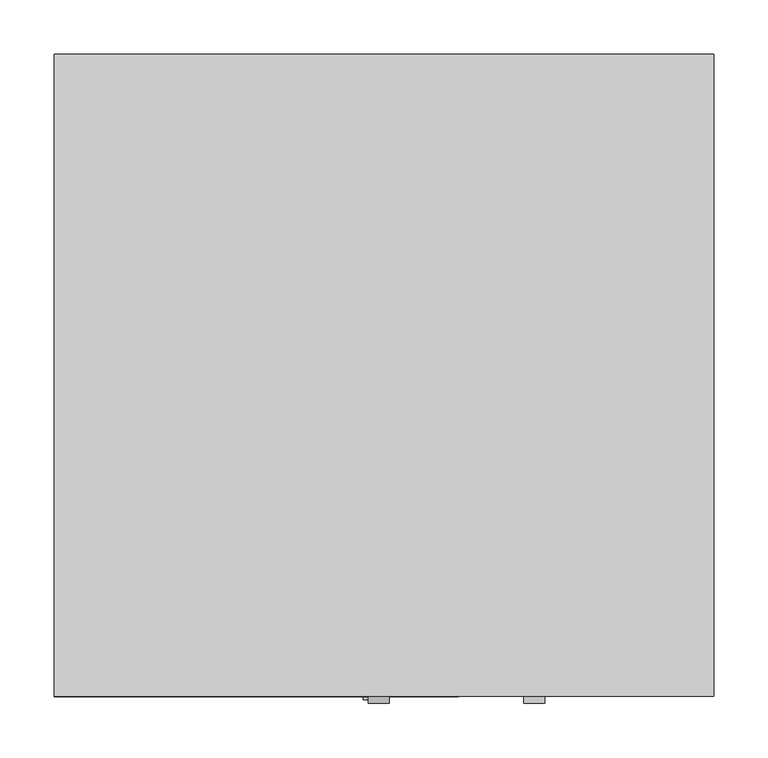
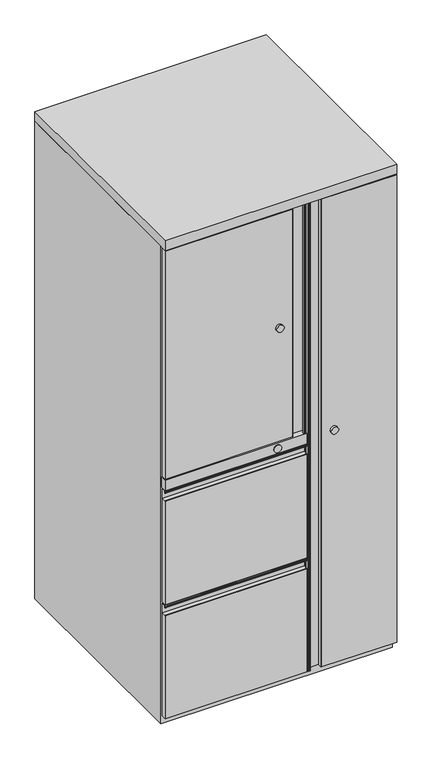
"""IFC4 building model written with IfcOpenShell, lengths in millimetres: furniture geometry."""

from ifc_helpers import new_model, si_unit, point, frame, frame_2d, origin, origin_with_axes, place, context, project, spatial, polyline, circle_curve, trimmed, segment, composite_curve, outline, extrude, source, transform, mapped, element, save
from ifc_brep_helpers import plane_surface, cylinder_surface, advanced_brep


def furniture_f3d1e6ab(model_context):
    return source(origin(), model_context, "Body", "SolidModel", [
        advanced_brep(
        [(-584.2, 12.7, 1330.3242063), (-584.2, 0.0, 1330.3242063), (-250.6621126, 0.0, 1330.3242063), (-249.5351828, 1.1719082, 1330.3242063), (-249.5351828, 11.9379504, 1330.3242063), (-217.4526321, 11.9379504, 1330.3242063), (-216.6624186, 11.1497012, 1330.3242063), (-216.6624186, 1.7644137, 1330.3242063), (-217.4498706, 0.9772377, 1330.3242063), (-221.0131358, 0.9772377, 1330.3242063), (-220.9351165, 2.5954587, 1330.3242063), (-221.0847852, 0.215639, 1330.3242063), (-217.4508972, 0.215639, 1330.3242063), (-215.9, 1.7665362, 1330.3242063), (-215.9, 11.1475226, 1330.3242063), (-217.4515764, 12.699099, 1330.3242063), (-584.2, 12.7, 699.5914063), (-217.4515764, 12.7, 699.5914063), (-215.9, 11.1475226, 699.5914063), (-215.9, 1.7665362, 699.5914063), (-217.4508972, 0.215639, 699.5914063), (-221.0847852, 0.215639, 699.5914063), (-220.9351165, 2.5954587, 699.5914063), (-221.0131358, 0.9772377, 699.5914063), (-217.4498706, 0.9772377, 699.5914063), (-216.6624186, 1.7644137, 699.5914063), (-216.6624186, 11.1497012, 699.5914063), (-217.4526321, 11.9379504, 699.5914063), (-249.5351828, 11.9379504, 699.5914063), (-249.5351828, 1.1719082, 699.5914063), (-250.6621126, 0.0, 699.5914063), (-584.2, 0.0, 699.5914063)],
        [
            (0, 1),
            (1, 2),
            (2, 3, circle_curve(frame((-250.7079887, 1.1719082, 1330.3242063), z_axis=(0.0, 0.0, 1.0), x_axis=(1.0, 0.0, 0.0)), 1.1728058)),
            (3, 4),
            (4, 5),
            (5, 6),
            (6, 7),
            (7, 8),
            (8, 9),
            (9, 10),
            (10, 11, circle_curve(frame((-221.0847852, 1.4102552, 1330.3242063), z_axis=(0.0, 0.0, 1.0), x_axis=(1.0, 0.0, 0.0)), 1.1946163)),
            (11, 12),
            (12, 13, circle_curve(frame((-217.4508972, 1.7665362, 1330.3242063), z_axis=(0.0, 0.0, 1.0), x_axis=(1.0, 0.0, 0.0)), 1.5508972)),
            (13, 14),
            (14, 15, circle_curve(frame((-217.4515764, 11.1475226, 1330.3242063), z_axis=(0.0, 0.0, 1.0), x_axis=(1.0, 0.0, 0.0)), 1.5515764)),
            (15, 0),
            (16, 17),
            (17, 18, circle_curve(frame((-217.4515764, 11.1475226, 699.5914063), z_axis=(0.0, 0.0, -1.0), x_axis=(1.0, 0.0, 0.0)), 1.5515764)),
            (18, 19),
            (19, 20, circle_curve(frame((-217.4508972, 1.7665362, 699.5914063), z_axis=(0.0, 0.0, -1.0), x_axis=(1.0, 0.0, 0.0)), 1.5508972)),
            (20, 21),
            (21, 22, circle_curve(frame((-221.0847852, 1.4102552, 699.5914063), z_axis=(0.0, 0.0, -1.0), x_axis=(1.0, 0.0, 0.0)), 1.1946163)),
            (22, 23),
            (23, 24),
            (24, 25),
            (25, 26),
            (26, 27),
            (27, 28),
            (28, 29),
            (29, 30, circle_curve(frame((-250.7079887, 1.1719082, 699.5914063), z_axis=(0.0, 0.0, -1.0), x_axis=(1.0, 0.0, 0.0)), 1.1728058)),
            (30, 31),
            (31, 16),
            (0, 16),
            (31, 1),
            (30, 2),
            (29, 3),
            (28, 4),
            (27, 5),
            (26, 6),
            (25, 7),
            (24, 8),
            (23, 9),
            (22, 10),
            (21, 11),
            (20, 12),
            (19, 13),
            (18, 14),
            (17, 15),
        ],
        [
            plane_surface(frame((-584.2, 960.2460168, 1330.3242063), z_axis=(0.0, 0.0, 1.0), x_axis=(0.0, -1.0, 0.0))),
            plane_surface(frame((-584.2, 960.2460168, 699.5914063), z_axis=(0.0, 0.0, -1.0), x_axis=(0.0, 1.0, 0.0))),
            plane_surface(frame((-584.2, 12.7, 1330.3242063), z_axis=(-1.0, 0.0, 0.0), x_axis=(0.0, 0.0, -1.0))),
            plane_surface(frame((-584.2, 0.0, 1330.3242063), z_axis=(0.0, -1.0, 0.0), x_axis=(0.0, 0.0, -1.0))),
            cylinder_surface(frame((-250.7079887, 1.1719082, 699.5914063), z_axis=(0.0, 0.0, 1.0), x_axis=(1.0, 0.0, 0.0)), 1.1728058),
            plane_surface(frame((-249.5351828, 1.1719082, 1330.3242063), z_axis=(1.0, 0.0, 0.0), x_axis=(0.0, 0.0, -1.0))),
            plane_surface(frame((-249.5351828, 11.9379504, 1330.3242063), z_axis=(0.0, -1.0, 0.0), x_axis=(0.0, 0.0, -1.0))),
            plane_surface(frame((-217.4526321, 11.9379504, 1330.3242063), z_axis=(-0.7062263024300954, -0.7079861649466855, 0.0), x_axis=(0.0, 0.0, -1.0))),
            plane_surface(frame((-216.6624186, 11.1497012, 1330.3242063), z_axis=(-1.0, 0.0, 0.0), x_axis=(0.0, 0.0, -1.0))),
            plane_surface(frame((-216.6624186, 1.7644137, 1330.3242063), z_axis=(-0.7069828591192541, 0.7072306815400228, 0.0), x_axis=(0.0, 0.0, -1.0))),
            plane_surface(frame((-217.4498706, 0.9772377, 1330.3242063), z_axis=(0.0, 1.0, 0.0), x_axis=(0.0, 0.0, -1.0))),
            plane_surface(frame((-221.0131358, 0.9772377, 1330.3242063), z_axis=(0.9988397743850603, -0.04815708781064106, 0.0), x_axis=(0.0, 0.0, -1.0))),
            cylinder_surface(frame((-221.0847852, 1.4102552, 699.5914063), z_axis=(0.0, 0.0, 1.0), x_axis=(1.0, 0.0, 0.0)), 1.1946163),
            plane_surface(frame((-221.0847852, 0.215639, 1330.3242063), z_axis=(0.0, -1.0, 0.0), x_axis=(0.0, 0.0, -1.0))),
            cylinder_surface(frame((-217.4508972, 1.7665362, 699.5914063), z_axis=(0.0, 0.0, 1.0), x_axis=(1.0, 0.0, 0.0)), 1.5508972),
            plane_surface(frame((-215.9, 1.7665362, 1330.3242063), z_axis=(1.0, 0.0, 0.0), x_axis=(0.0, 0.0, -1.0))),
            cylinder_surface(frame((-217.4515764, 11.1475226, 699.5914063), z_axis=(0.0, 0.0, 1.0), x_axis=(1.0, 0.0, 0.0)), 1.5515764),
            plane_surface(frame((-217.4515764, 12.7, 1330.3242063), z_axis=(0.0, 1.0, 0.0), x_axis=(0.0, 0.0, -1.0))),
        ],
        [
            (0, [[1, 2, 3, 4, 5, 6, 7, 8, 9, 10, 11, 12, 13, 14, 15, 16]]),
            (1, [[17, 18, 19, 20, 21, 22, 23, 24, 25, 26, 27, 28, 29, 30, 31, 32]]),
            (2, [[-1, 33, -32, 34]]),
            (3, [[-2, -34, -31, 35]]),
            (4, [[-3, -35, -30, 36]]),
            (5, [[-4, -36, -29, 37]]),
            (6, [[-5, -37, -28, 38]]),
            (7, [[-6, -38, -27, 39]]),
            (8, [[-7, -39, -26, 40]]),
            (9, [[-8, -40, -25, 41]]),
            (10, [[-9, -41, -24, 42]]),
            (11, [[-10, -42, -23, 43]]),
            (12, [[-11, -43, -22, 44]]),
            (13, [[-12, -44, -21, 45]]),
            (14, [[-13, -45, -20, 46]]),
            (15, [[-14, -46, -19, 47]]),
            (16, [[-15, -47, -18, 48]]),
            (17, [[-16, -48, -17, -33]]),
        ],
    ),
        extrude(outline(composite_curve([segment(trimmed(circle_curve(frame_2d((1014.9578063, -285.75)), 9.525), [point((1014.9578063, -276.225))], [point((1014.9578063, -295.275))], False, "CARTESIAN"), True, "CONTINUOUS"), segment(trimmed(circle_curve(frame_2d((1014.9578063, -285.75)), 9.525), [point((1014.9578063, -295.275))], [point((1014.9578063, -276.225))], False, "CARTESIAN"), True, "CONTINUOUS")], self_intersect=False)), frame((0.0, -6.35, 0.0), z_axis=(0.0, 1.0, 0.0), x_axis=(0.0, 0.0, 1.0)), (0.0, 0.0, 1.0), 6.35),
        advanced_brep(
        [(-212.725, 12.6990857, 664.7023431), (-212.725, 11.1475226, 666.2539062), (-212.725, 1.7665794, 666.2539062), (-212.725, 0.2157287, 664.7030555), (-212.725, 0.2157287, 661.0973138), (-212.725, 2.5948871, 661.2328917), (-212.725, 0.9772377, 661.140797), (-212.725, 0.9770345, 664.7040623), (-212.725, 1.7644137, 665.4915142), (-212.725, 11.1497012, 665.4915142), (-212.725, 11.9379504, 664.7013007), (-212.725, 11.9379504, 639.3735723), (-212.725, 1.1719082, 639.3735723), (-212.725, 0.0, 638.2466425), (-212.725, 0.0, 351.9289062), (-212.725, 12.6999833, 351.9289062), (-584.2, 12.6999833, 664.7025491), (-584.2, 12.6999833, 351.9289062), (-584.2, 0.0, 351.9289062), (-584.2, 0.0, 638.2466425), (-584.2, 1.1719082, 639.3735723), (-584.2, 11.9379504, 639.3735723), (-584.2, 11.9379504, 664.7013007), (-584.2, 11.1497012, 665.4915142), (-584.2, 1.7644137, 665.4915142), (-584.2, 0.9770345, 664.7040623), (-584.2, 0.9772377, 661.140797), (-584.2, 2.5948871, 661.2328917), (-584.2, 0.2157287, 661.0973138), (-584.2, 0.2157287, 664.7030555), (-584.2, 1.7665794, 666.2539062), (-584.2, 11.1475226, 666.2539062)],
        [
            (0, 1, circle_curve(frame((-212.725, 11.1475226, 664.7023431), z_axis=(1.0, 0.0, 0.0), x_axis=(0.0, 1.0, 0.0)), 1.5515631)),
            (1, 2),
            (2, 3, circle_curve(frame((-212.725, 1.7665794, 664.7030555), z_axis=(1.0, 0.0, 0.0), x_axis=(0.0, 1.0, 0.0)), 1.5508507)),
            (3, 4),
            (4, 5, circle_curve(frame((-212.725, 1.4091709, 661.0973138), z_axis=(1.0, 0.0, 0.0), x_axis=(0.0, 1.0, 0.0)), 1.1934422)),
            (5, 6),
            (6, 7),
            (7, 8),
            (8, 9),
            (9, 10),
            (10, 11),
            (11, 12),
            (12, 13, circle_curve(frame((-212.725, 1.1719082, 638.2007664), z_axis=(1.0, 0.0, 0.0), x_axis=(0.0, 1.0, 0.0)), 1.1728058)),
            (13, 14),
            (14, 15),
            (15, 0),
            (16, 17),
            (17, 18),
            (18, 19),
            (19, 20, circle_curve(frame((-584.2, 1.1719082, 638.2007664), z_axis=(-1.0, 0.0, 0.0), x_axis=(0.0, 1.0, 0.0)), 1.1728058)),
            (20, 21),
            (21, 22),
            (22, 23),
            (23, 24),
            (24, 25),
            (25, 26),
            (26, 27),
            (27, 28, circle_curve(frame((-584.2, 1.4091709, 661.0973138), z_axis=(-1.0, 0.0, 0.0), x_axis=(0.0, 1.0, 0.0)), 1.1934422)),
            (28, 29),
            (29, 30, circle_curve(frame((-584.2, 1.7665794, 664.7030555), z_axis=(-1.0, 0.0, 0.0), x_axis=(0.0, 1.0, 0.0)), 1.5508507)),
            (30, 31),
            (31, 16, circle_curve(frame((-584.2, 11.1475226, 664.7023431), z_axis=(-1.0, 0.0, 0.0), x_axis=(0.0, 1.0, 0.0)), 1.5515631)),
            (0, 16),
            (31, 1),
            (30, 2),
            (29, 3),
            (28, 4),
            (27, 5),
            (26, 6),
            (25, 7),
            (24, 8),
            (23, 9),
            (22, 10),
            (21, 11),
            (20, 12),
            (19, 13),
            (18, 14),
            (17, 15),
        ],
        [
            plane_surface(frame((-212.725, 12.6990857, 664.7023431), z_axis=(1.0, 0.0, 0.0), x_axis=(0.0, 0.0, 1.0))),
            plane_surface(frame((-584.2, 12.6990857, 664.7023431), z_axis=(-1.0, 0.0, 0.0), x_axis=(0.0, 0.0, -1.0))),
            cylinder_surface(frame((-584.2, 11.1475226, 664.7023431), z_axis=(1.0, 0.0, 0.0), x_axis=(0.0, 1.0, 0.0)), 1.5515631),
            plane_surface(frame((-212.725, 11.1475226, 666.2539062), z_axis=(0.0, 0.0, 1.0), x_axis=(-1.0, 0.0, 0.0))),
            cylinder_surface(frame((-584.2, 1.7665794, 664.7030555), z_axis=(1.0, 0.0, 0.0), x_axis=(0.0, 1.0, 0.0)), 1.5508507),
            plane_surface(frame((-212.725, 0.2157287, 664.7030555), z_axis=(0.0, -1.0, 0.0), x_axis=(-1.0, 0.0, 0.0))),
            cylinder_surface(frame((-584.2, 1.4091709, 661.0973138), z_axis=(1.0, 0.0, 0.0), x_axis=(0.0, 1.0, 0.0)), 1.1934422),
            plane_surface(frame((-212.725, 2.5948871, 661.2328917), z_axis=(0.0, -0.056839118404105105, 0.9983833505317705), x_axis=(-1.0, 0.0, 0.0))),
            plane_surface(frame((-212.725, 0.9772377, 661.140797), z_axis=(0.0, 0.99999999837299, 5.704401746981278e-05), x_axis=(-1.0, 0.0, 0.0))),
            plane_surface(frame((-212.725, 0.9770345, 664.7040623), z_axis=(0.0, 0.7071394096157116, -0.7070741512517218), x_axis=(-1.0, 0.0, 0.0))),
            plane_surface(frame((-212.725, 1.7644137, 665.4915142), z_axis=(0.0, 0.0, -1.0), x_axis=(-1.0, 0.0, 0.0))),
            plane_surface(frame((-212.725, 11.1497012, 665.4915142), z_axis=(0.0, -0.707986164947673, -0.7062263024291056), x_axis=(-1.0, 0.0, 0.0))),
            plane_surface(frame((-212.725, 11.9379504, 664.7013007), z_axis=(0.0, -1.0, 0.0), x_axis=(-1.0, 0.0, 0.0))),
            plane_surface(frame((-212.725, 11.9379504, 639.3735723), z_axis=(0.0, 0.0, 1.0), x_axis=(-1.0, 0.0, 0.0))),
            cylinder_surface(frame((-584.2, 1.1719082, 638.2007664), z_axis=(1.0, 0.0, 0.0), x_axis=(0.0, 1.0, 0.0)), 1.1728058),
            plane_surface(frame((-212.725, 0.0, 638.2466425), z_axis=(0.0, -1.0, 0.0), x_axis=(-1.0, 0.0, 0.0))),
            plane_surface(frame((-212.725, 0.0, 351.9289062), z_axis=(0.0, 0.0, -1.0), x_axis=(-1.0, 0.0, 0.0))),
            plane_surface(frame((-212.725, 12.6999833, 351.9289062), z_axis=(0.0, 1.0, 0.0), x_axis=(-1.0, 0.0, 0.0))),
        ],
        [
            (0, [[1, 2, 3, 4, 5, 6, 7, 8, 9, 10, 11, 12, 13, 14, 15, 16]]),
            (1, [[17, 18, 19, 20, 21, 22, 23, 24, 25, 26, 27, 28, 29, 30, 31, 32]]),
            (2, [[-1, 33, -32, 34]]),
            (3, [[-2, -34, -31, 35]]),
            (4, [[-3, -35, -30, 36]]),
            (5, [[-4, -36, -29, 37]]),
            (6, [[-5, -37, -28, 38]]),
            (7, [[-6, -38, -27, 39]]),
            (8, [[-7, -39, -26, 40]]),
            (9, [[-8, -40, -25, 41]]),
            (10, [[-9, -41, -24, 42]]),
            (11, [[-10, -42, -23, 43]]),
            (12, [[-11, -43, -22, 44]]),
            (13, [[-12, -44, -21, 45]]),
            (14, [[-13, -45, -20, 46]]),
            (15, [[-14, -46, -19, 47]]),
            (16, [[-15, -47, -18, 48]]),
            (17, [[-16, -48, -17, -33]]),
        ],
    ),
        advanced_brep(
        [(-212.725, 12.6990857, 347.2023431), (-212.725, 11.1475226, 348.7539062), (-212.725, 1.7563342, 348.7539062), (-212.725, 0.1986534, 347.1962254), (-212.725, 0.1986534, 343.8886037), (-212.725, 2.1992497, 344.4917855), (-212.725, 0.9771932, 344.4222124), (-212.725, 0.9770345, 347.2040623), (-212.725, 1.7644137, 347.9915142), (-212.725, 11.1497012, 347.9915142), (-212.725, 11.9379504, 347.2013007), (-212.725, 11.9379504, 321.8735723), (-212.725, 1.1719082, 321.8735723), (-212.725, 0.0, 320.7466425), (-212.725, 0.0, 36.0164062), (-212.725, 12.6999833, 36.0164062), (-584.2, 12.6999833, 347.2025491), (-584.2, 12.6999833, 36.0164063), (-584.2, 0.0, 36.0164063), (-584.2, 0.0, 320.7466425), (-584.2, 1.1719082, 321.8735723), (-584.2, 11.9379504, 321.8735723), (-584.2, 11.9379504, 347.2013007), (-584.2, 11.1497012, 347.9915142), (-584.2, 1.7644137, 347.9915142), (-584.2, 0.9770345, 347.2040623), (-584.2, 0.9771932, 344.4222124), (-584.2, 2.1992497, 344.4917855), (-584.2, 0.1986534, 343.8886037), (-584.2, 0.1986534, 347.1962254), (-584.2, 1.7563342, 348.7539063), (-584.2, 11.1475226, 348.7539063)],
        [
            (0, 1, circle_curve(frame((-212.725, 11.1475226, 347.2023431), z_axis=(1.0, 0.0, 0.0), x_axis=(0.0, 1.0, 0.0)), 1.5515631)),
            (1, 2),
            (2, 3, circle_curve(frame((-212.725, 1.7563342, 347.1962254), z_axis=(1.0, 0.0, 0.0), x_axis=(0.0, 1.0, 0.0)), 1.5576808)),
            (3, 4),
            (4, 5, circle_curve(frame((-212.725, 1.2898815, 343.8886037), z_axis=(1.0, 0.0, 0.0), x_axis=(0.0, 1.0, 0.0)), 1.0912281)),
            (5, 6),
            (6, 7),
            (7, 8),
            (8, 9),
            (9, 10),
            (10, 11),
            (11, 12),
            (12, 13, circle_curve(frame((-212.725, 1.1719082, 320.7007664), z_axis=(1.0, 0.0, 0.0), x_axis=(0.0, 1.0, 0.0)), 1.1728058)),
            (13, 14),
            (14, 15),
            (15, 0),
            (16, 17),
            (17, 18),
            (18, 19),
            (19, 20, circle_curve(frame((-584.2, 1.1719082, 320.7007664), z_axis=(-1.0, 0.0, 0.0), x_axis=(0.0, 1.0, 0.0)), 1.1728058)),
            (20, 21),
            (21, 22),
            (22, 23),
            (23, 24),
            (24, 25),
            (25, 26),
            (26, 27),
            (27, 28, circle_curve(frame((-584.2, 1.2898815, 343.8886037), z_axis=(-1.0, 0.0, 0.0), x_axis=(0.0, 1.0, 0.0)), 1.0912281)),
            (28, 29),
            (29, 30, circle_curve(frame((-584.2, 1.7563342, 347.1962254), z_axis=(-1.0, 0.0, 0.0), x_axis=(0.0, 1.0, 0.0)), 1.5576808)),
            (30, 31),
            (31, 16, circle_curve(frame((-584.2, 11.1475226, 347.2023431), z_axis=(-1.0, 0.0, 0.0), x_axis=(0.0, 1.0, 0.0)), 1.5515631)),
            (0, 16),
            (31, 1),
            (30, 2),
            (29, 3),
            (28, 4),
            (27, 5),
            (26, 6),
            (25, 7),
            (24, 8),
            (23, 9),
            (22, 10),
            (21, 11),
            (20, 12),
            (19, 13),
            (18, 14),
            (17, 15),
        ],
        [
            plane_surface(frame((-212.725, 12.6990857, 347.2023431), z_axis=(1.0, 0.0, 0.0), x_axis=(0.0, 0.0, 1.0))),
            plane_surface(frame((-584.2, 12.6990857, 347.2023431), z_axis=(-1.0, 0.0, 0.0), x_axis=(0.0, 0.0, -1.0))),
            cylinder_surface(frame((-584.2, 11.1475226, 347.2023431), z_axis=(1.0, 0.0, 0.0), x_axis=(0.0, 1.0, 0.0)), 1.5515631),
            plane_surface(frame((-212.725, 11.1475226, 348.7539062), z_axis=(0.0, 0.0, 1.0), x_axis=(-1.0, 0.0, 0.0))),
            cylinder_surface(frame((-584.2, 1.7563342, 347.1962254), z_axis=(1.0, 0.0, 0.0), x_axis=(0.0, 1.0, 0.0)), 1.5576808),
            plane_surface(frame((-212.725, 0.1986534, 347.1962254), z_axis=(0.0, -1.0, 0.0), x_axis=(-1.0, 0.0, 0.0))),
            cylinder_surface(frame((-584.2, 1.2898815, 343.8886037), z_axis=(1.0, 0.0, 0.0), x_axis=(0.0, 1.0, 0.0)), 1.0912281),
            plane_surface(frame((-212.725, 2.1992497, 344.4917855), z_axis=(0.0, -0.05683911841492139, 0.9983833505311548), x_axis=(-1.0, 0.0, 0.0))),
            plane_surface(frame((-212.725, 0.9771932, 344.4222124), z_axis=(0.0, 0.99999999837299, 5.704401743004593e-05), x_axis=(-1.0, 0.0, 0.0))),
            plane_surface(frame((-212.725, 0.9770345, 347.2040623), z_axis=(0.0, 0.7071394095992428, -0.7070741512681923), x_axis=(-1.0, 0.0, 0.0))),
            plane_surface(frame((-212.725, 1.7644137, 347.9915142), z_axis=(0.0, 0.0, -1.0), x_axis=(-1.0, 0.0, 0.0))),
            plane_surface(frame((-212.725, 11.1497012, 347.9915142), z_axis=(0.0, -0.7079861649312232, -0.7062263024455964), x_axis=(-1.0, 0.0, 0.0))),
            plane_surface(frame((-212.725, 11.9379504, 347.2013007), z_axis=(0.0, -1.0, 0.0), x_axis=(-1.0, 0.0, 0.0))),
            plane_surface(frame((-212.725, 11.9379504, 321.8735723), z_axis=(0.0, 0.0, 1.0), x_axis=(-1.0, 0.0, 0.0))),
            cylinder_surface(frame((-584.2, 1.1719082, 320.7007664), z_axis=(1.0, 0.0, 0.0), x_axis=(0.0, 1.0, 0.0)), 1.1728058),
            plane_surface(frame((-212.725, 0.0, 320.7466425), z_axis=(0.0, -1.0, 0.0), x_axis=(-1.0, 0.0, 0.0))),
            plane_surface(frame((-212.725, 0.0, 36.0164062), z_axis=(0.0, 0.0, -1.0), x_axis=(-1.0, 0.0, 0.0))),
            plane_surface(frame((-212.725, 12.6999833, 36.0164062), z_axis=(0.0, 1.0, 0.0), x_axis=(-1.0, 0.0, 0.0))),
        ],
        [
            (0, [[1, 2, 3, 4, 5, 6, 7, 8, 9, 10, 11, 12, 13, 14, 15, 16]]),
            (1, [[17, 18, 19, 20, 21, 22, 23, 24, 25, 26, 27, 28, 29, 30, 31, 32]]),
            (2, [[-1, 33, -32, 34]]),
            (3, [[-2, -34, -31, 35]]),
            (4, [[-3, -35, -30, 36]]),
            (5, [[-4, -36, -29, 37]]),
            (6, [[-5, -37, -28, 38]]),
            (7, [[-6, -38, -27, 39]]),
            (8, [[-7, -39, -26, 40]]),
            (9, [[-8, -40, -25, 41]]),
            (10, [[-9, -41, -24, 42]]),
            (11, [[-10, -42, -23, 43]]),
            (12, [[-11, -43, -22, 44]]),
            (13, [[-12, -44, -21, 45]]),
            (14, [[-13, -45, -20, 46]]),
            (15, [[-14, -46, -19, 47]]),
            (16, [[-15, -47, -18, 48]]),
            (17, [[-16, -48, -17, -33]]),
        ],
    ),
        extrude(outline(polyline([(-212.725, 15.875), (-212.725, 0.0), (-584.2, 0.0), (-584.2, 15.875), (-212.725, 15.875)])), frame((0.0, 0.0, 667.8414063), z_axis=(0.0, 0.0, 1.0), x_axis=(1.0, 0.0, 0.0)), (0.0, 0.0, 1.0), 28.575),
        extrude(outline(composite_curve([segment(trimmed(circle_curve(frame_2d((682.1289063, -290.5125)), 9.525), [point((672.6039063, -290.5125))], [point((691.6539063, -290.5125))], False, "CARTESIAN"), True, "CONTINUOUS"), segment(trimmed(circle_curve(frame_2d((682.1289063, -290.5125)), 9.525), [point((691.6539063, -290.5125))], [point((672.6039063, -290.5125))], False, "CARTESIAN"), True, "CONTINUOUS")], self_intersect=False)), frame((0.0, -3.1749879, 0.0), z_axis=(0.0, 1.0, 0.0), x_axis=(0.0, 0.0, 1.0)), (0.0, 0.0, 1.0), 3.1749879),
        advanced_brep(
        [(22.225, 12.7, 1330.3242063), (-207.9986429, 12.7, 1330.3242063), (-209.5500266, 11.1475226, 1330.3242063), (-209.5500266, 1.7665362, 1330.3242063), (-207.9991294, 0.215639, 1330.3242063), (-204.3652414, 0.215639, 1330.3242063), (-204.5149101, 2.5954587, 1330.3242063), (-204.4368908, 0.9772377, 1330.3242063), (-208.000156, 0.9770345, 1330.3242063), (-208.787608, 1.7644137, 1330.3242063), (-208.787608, 11.1497012, 1330.3242063), (-207.9973945, 11.9379504, 1330.3242063), (-175.9148437, 11.9379504, 1330.3242063), (-175.9148437, 1.1719082, 1330.3242063), (-174.787914, 0.0, 1330.3242063), (22.225, 0.0, 1330.3242063), (22.225, 12.7, 36.0164062), (22.225, 0.0, 36.0164062), (-174.787914, 0.0, 36.0164062), (-175.9148437, 1.1719082, 36.0164062), (-175.9148437, 11.9379504, 36.0164062), (-207.9973945, 11.9379504, 36.0164062), (-208.787608, 11.1497012, 36.0164062), (-208.787608, 1.7644137, 36.0164062), (-208.000156, 0.9770345, 36.0164062), (-204.4368908, 0.9772377, 36.0164062), (-204.5149101, 2.5954587, 36.0164062), (-204.3652414, 0.215639, 36.0164062), (-207.9991294, 0.215639, 36.0164062), (-209.5500266, 1.7665362, 36.0164062), (-209.5500266, 11.1475226, 36.0164062), (-207.9984502, 12.699099, 36.0164062)],
        [
            (0, 1),
            (1, 2, circle_curve(frame((-207.9984502, 11.1475226, 1330.3242063), z_axis=(0.0, 0.0, 1.0), x_axis=(1.0, 0.0, 0.0)), 1.5515764)),
            (2, 3),
            (3, 4, circle_curve(frame((-207.9991294, 1.7665362, 1330.3242063), z_axis=(0.0, 0.0, 1.0), x_axis=(1.0, 0.0, 0.0)), 1.5508972)),
            (4, 5),
            (5, 6, circle_curve(frame((-204.3652414, 1.4102552, 1330.3242063), z_axis=(0.0, 0.0, 1.0), x_axis=(1.0, 0.0, 0.0)), 1.1946163)),
            (6, 7),
            (7, 8),
            (8, 9),
            (9, 10),
            (10, 11),
            (11, 12),
            (12, 13),
            (13, 14, circle_curve(frame((-174.7420379, 1.1719082, 1330.3242063), z_axis=(0.0, 0.0, 1.0), x_axis=(1.0, 0.0, 0.0)), 1.1728058)),
            (14, 15),
            (15, 0),
            (16, 17),
            (17, 18),
            (18, 19, circle_curve(frame((-174.7420379, 1.1719082, 36.0164062), z_axis=(0.0, 0.0, -1.0), x_axis=(1.0, 0.0, 0.0)), 1.1728058)),
            (19, 20),
            (20, 21),
            (21, 22),
            (22, 23),
            (23, 24),
            (24, 25),
            (25, 26),
            (26, 27, circle_curve(frame((-204.3652414, 1.4102552, 36.0164062), z_axis=(0.0, 0.0, -1.0), x_axis=(1.0, 0.0, 0.0)), 1.1946163)),
            (27, 28),
            (28, 29, circle_curve(frame((-207.9991294, 1.7665362, 36.0164062), z_axis=(0.0, 0.0, -1.0), x_axis=(1.0, 0.0, 0.0)), 1.5508972)),
            (29, 30),
            (30, 31, circle_curve(frame((-207.9984502, 11.1475226, 36.0164062), z_axis=(0.0, 0.0, -1.0), x_axis=(1.0, 0.0, 0.0)), 1.5515764)),
            (31, 16),
            (0, 16),
            (31, 1),
            (30, 2),
            (29, 3),
            (28, 4),
            (27, 5),
            (26, 6),
            (25, 7),
            (24, 8),
            (23, 9),
            (22, 10),
            (21, 11),
            (20, 12),
            (19, 13),
            (18, 14),
            (17, 15),
        ],
        [
            plane_surface(frame((-207.9986429, 12.7, 1330.3242063), z_axis=(0.0, 0.0, 1.0), x_axis=(-1.0, 0.0, 0.0))),
            plane_surface(frame((-207.9986429, 12.7, 36.0164062), z_axis=(0.0, 0.0, -1.0), x_axis=(1.0, 0.0, 0.0))),
            plane_surface(frame((22.225, 12.7, 1330.3242063), z_axis=(0.0, 1.0, 0.0), x_axis=(0.0, 0.0, -1.0))),
            cylinder_surface(frame((-207.9984502, 11.1475226, 36.0164062), z_axis=(0.0, 0.0, 1.0), x_axis=(1.0, 0.0, 0.0)), 1.5515764),
            plane_surface(frame((-209.5500266, 11.1475226, 1330.3242063), z_axis=(-1.0, 0.0, 0.0), x_axis=(0.0, 0.0, -1.0))),
            cylinder_surface(frame((-207.9991294, 1.7665362, 36.0164062), z_axis=(0.0, 0.0, 1.0), x_axis=(1.0, 0.0, 0.0)), 1.5508972),
            plane_surface(frame((-207.9991294, 0.215639, 1330.3242063), z_axis=(0.0, -1.0, 0.0), x_axis=(0.0, 0.0, -1.0))),
            cylinder_surface(frame((-204.3652414, 1.4102552, 36.0164062), z_axis=(0.0, 0.0, 1.0), x_axis=(1.0, 0.0, 0.0)), 1.1946163),
            plane_surface(frame((-204.5149101, 2.5954587, 1330.3242063), z_axis=(-0.9988397743850594, -0.04815708781066012, 0.0), x_axis=(0.0, 0.0, -1.0))),
            plane_surface(frame((-204.4368908, 0.9772377, 1330.3242063), z_axis=(-5.704401746862134e-05, 0.99999999837299, 0.0), x_axis=(0.0, 0.0, -1.0))),
            plane_surface(frame((-208.000156, 0.9770345, 1330.3242063), z_axis=(0.7070741512595925, 0.7071394096078417, 0.0), x_axis=(0.0, 0.0, -1.0))),
            plane_surface(frame((-208.787608, 1.7644137, 1330.3242063), z_axis=(1.0, 0.0, 0.0), x_axis=(0.0, 0.0, -1.0))),
            plane_surface(frame((-208.787608, 11.1497012, 1330.3242063), z_axis=(0.7062263024369049, -0.707986164939893, 0.0), x_axis=(0.0, 0.0, -1.0))),
            plane_surface(frame((-207.9973945, 11.9379504, 1330.3242063), z_axis=(0.0, -1.0, 0.0), x_axis=(0.0, 0.0, -1.0))),
            plane_surface(frame((-175.9148437, 11.9379504, 1330.3242063), z_axis=(-1.0, 0.0, 0.0), x_axis=(0.0, 0.0, -1.0))),
            cylinder_surface(frame((-174.7420379, 1.1719082, 36.0164062), z_axis=(0.0, 0.0, 1.0), x_axis=(1.0, 0.0, 0.0)), 1.1728058),
            plane_surface(frame((-174.787914, 0.0, 1330.3242063), z_axis=(0.0, -1.0, 0.0), x_axis=(0.0, 0.0, -1.0))),
            plane_surface(frame((22.225, 0.0, 1330.3242063), z_axis=(1.0, 0.0, 0.0), x_axis=(0.0, 0.0, -1.0))),
        ],
        [
            (0, [[1, 2, 3, 4, 5, 6, 7, 8, 9, 10, 11, 12, 13, 14, 15, 16]]),
            (1, [[17, 18, 19, 20, 21, 22, 23, 24, 25, 26, 27, 28, 29, 30, 31, 32]]),
            (2, [[-1, 33, -32, 34]]),
            (3, [[-2, -34, -31, 35]]),
            (4, [[-3, -35, -30, 36]]),
            (5, [[-4, -36, -29, 37]]),
            (6, [[-5, -37, -28, 38]]),
            (7, [[-6, -38, -27, 39]]),
            (8, [[-7, -39, -26, 40]]),
            (9, [[-8, -40, -25, 41]]),
            (10, [[-9, -41, -24, 42]]),
            (11, [[-10, -42, -23, 43]]),
            (12, [[-11, -43, -22, 44]]),
            (13, [[-12, -44, -21, 45]]),
            (14, [[-13, -45, -20, 46]]),
            (15, [[-14, -46, -19, 47]]),
            (16, [[-15, -47, -18, 48]]),
            (17, [[-16, -48, -17, -33]]),
        ],
    ),
        extrude(outline(composite_curve([segment(trimmed(circle_curve(frame_2d((683.1703063, -142.875)), 9.525), [point((683.1703063, -152.4))], [point((683.1703063, -133.35))], False, "CARTESIAN"), True, "CONTINUOUS"), segment(trimmed(circle_curve(frame_2d((683.1703063, -142.875)), 9.525), [point((683.1703063, -133.35))], [point((683.1703063, -152.4))], False, "CARTESIAN"), True, "CONTINUOUS")], self_intersect=False)), frame((0.0, -6.35, 0.0), z_axis=(0.0, 1.0, 0.0), x_axis=(0.0, 0.0, 1.0)), (0.0, 0.0, 1.0), 6.35),
        extrude(outline(composite_curve([segment(trimmed(circle_curve(frame_2d((-520.7053455, 529.03374)), 25.4), [point((-546.1053455, 529.03374))], [point((-495.3053455, 529.03374))], False, "CARTESIAN"), True, "CONTINUOUS"), segment(trimmed(circle_curve(frame_2d((-520.7053455, 529.03374)), 25.4), [point((-495.3053455, 529.03374))], [point((-546.1053455, 529.03374))], False, "CARTESIAN"), True, "CONTINUOUS")], self_intersect=False)), origin_with_axes(), (0.0, 0.0, 1.0), 10.6164063),
        extrude(outline(composite_curve([segment(trimmed(circle_curve(frame_2d((-41.275, 529.03374)), 25.4), [point((-66.675, 529.03374))], [point((-15.875, 529.03374))], False, "CARTESIAN"), True, "CONTINUOUS"), segment(trimmed(circle_curve(frame_2d((-41.275, 529.03374)), 25.4), [point((-15.875, 529.03374))], [point((-66.675, 529.03374))], False, "CARTESIAN"), True, "CONTINUOUS")], self_intersect=False)), origin_with_axes(), (0.0, 0.0, 1.0), 10.6164063),
        extrude(outline(composite_curve([segment(trimmed(circle_curve(frame_2d((-41.275, 61.51626)), 25.4), [point((-66.675, 61.51626))], [point((-15.875, 61.51626))], False, "CARTESIAN"), True, "CONTINUOUS"), segment(trimmed(circle_curve(frame_2d((-41.275, 61.51626)), 25.4), [point((-15.875, 61.51626))], [point((-66.675, 61.51626))], False, "CARTESIAN"), True, "CONTINUOUS")], self_intersect=False)), origin_with_axes(), (0.0, 0.0, 1.0), 10.6164063),
        extrude(outline(composite_curve([segment(trimmed(circle_curve(frame_2d((-520.7053455, 61.51626)), 25.4), [point((-546.1053455, 61.51626))], [point((-495.3053455, 61.51626))], False, "CARTESIAN"), True, "CONTINUOUS"), segment(trimmed(circle_curve(frame_2d((-520.7053455, 61.51626)), 25.4), [point((-495.3053455, 61.51626))], [point((-546.1053455, 61.51626))], False, "CARTESIAN"), True, "CONTINUOUS")], self_intersect=False)), origin_with_axes(), (0.0, 0.0, 1.0), 10.6164063),
        extrude(outline(polyline([(22.225, 590.55), (22.225, 19.05), (-584.2, 19.05), (-584.2, 590.55), (22.225, 590.55)])), frame((0.0, 0.0, 10.6164062), z_axis=(0.0, 0.0, 1.0), x_axis=(1.0, 0.0, 0.0)), (0.0, 0.0, 1.0), 1321.3087938),
        extrude(outline(polyline([(22.225, 590.55), (22.225, 0.0), (-584.2, 0.0), (-584.2, 590.55), (22.225, 590.55)])), frame((0.0, 0.0, 1331.9252), z_axis=(0.0, 0.0, 1.0), x_axis=(1.0, 0.0, 0.0)), (0.0, 0.0, 1.0), 26.9748),
    ])


if __name__ == "__main__":
    model = new_model("IFC4")
    model_context = context("Model", 3, world=origin())
    ifc_project = project(units=[si_unit("LENGTHUNIT", "METRE", prefix="MILLI")], contexts=[model_context])
    site = spatial("IfcSite", under=ifc_project)
    building = spatial("IfcBuilding", under=site)
    placement = place(None, origin())
    furniture_shape = furniture_f3d1e6ab(model_context)
    element("IfcFurniture", 1, at=placement, inside=building, context=model_context, shape_type="MappedRepresentation", body=[
        mapped(furniture_shape, transform((0.0, 0.0, 0.0), x_axis=(1.0, 0.0, 0.0), y_axis=(0.0, 1.0, 0.0), z_axis=(0.0, 0.0, 1.0))),
    ])
    save(model, "model.ifc")
